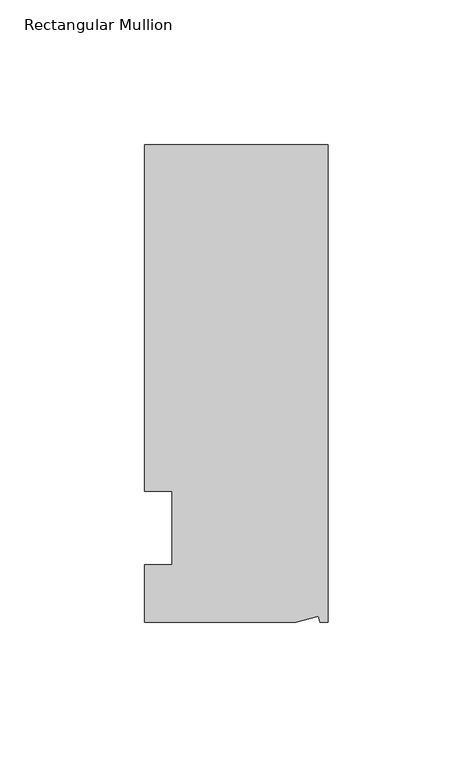
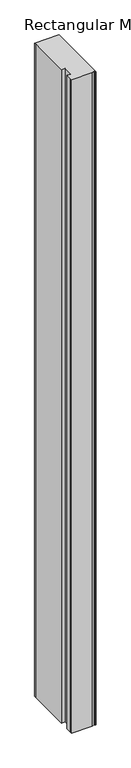
"""IFC4 building model written with IfcOpenShell, lengths in millimetres: member geometry, Rectangular Mullion."""

from ifc_helpers import new_model, si_unit, origin, place, context, project, spatial, faceted_brep, source, transform, mapped, element, save


def rectangular_mullion_a4ef1d3c(model_context):
    return source(origin(), model_context, "Body", "Brep", [
        faceted_brep([(0.0, 132.5561012, 0.0), (-63.5, 132.5561012, 0.0), (-63.5, 126.2061012, 0.0), (-63.5, 12.8488281, 0.0), (-53.975, 12.8488281, 0.0), (-53.975, -12.7, 0.0), (-63.5, -12.7, 0.0), (-63.5, -26.1938988, 0.0), (-63.5076469, -32.5438988, 0.0), (-11.1125, -32.5438988, 0.0), (-3.3223696, -30.4565397, 0.0), (-2.7630634, -32.5438988, 0.0), (0.0, -32.5438988, 0.0), (0.0, 132.5561012, -1786.4666667), (0.0, -32.5438988, -1786.4666667), (-2.7630634, -32.5438988, -1786.4666667), (-3.3223696, -30.4565397, -1786.4666667), (-11.1125, -32.5438988, -1786.4666667), (-63.5076469, -32.5438988, -1786.4666667), (-63.5076469, -26.1938988, -1786.4666667), (-63.5, -12.7, -1786.4666667), (-53.975, -12.7, -1786.4666667), (-53.975, 12.8488281, -1786.4666667), (-63.5, 12.8488281, -1786.4666667), (-63.5, 126.2061012, -1786.4666667), (-63.5, 132.5561012, -1786.4666667)], [[[0, 1, 2, 3, 4, 5, 6, 7, 8, 9, 10, 11, 12]], [[13, 14, 15, 16, 17, 18, 19, 20, 21, 22, 23, 24, 25]], [[0, 12, 14, 13]], [[1, 0, 13, 25]], [[3, 2, 24, 23]], [[4, 3, 23, 22]], [[5, 4, 22, 21]], [[6, 5, 21, 20]], [[7, 6, 20, 19]], [[9, 8, 18, 17]], [[10, 9, 17, 16]], [[11, 10, 16, 15]], [[12, 11, 15, 14]], [[2, 1, 25, 24]], [[8, 7, 19, 18]]]),
    ])


if __name__ == "__main__":
    model = new_model("IFC4")
    model_context = context("Model", 3, world=origin())
    ifc_project = project(units=[si_unit("LENGTHUNIT", "METRE", prefix="MILLI")], contexts=[model_context])
    site = spatial("IfcSite", under=ifc_project)
    building = spatial("IfcBuilding", under=site)
    placement = place(None, origin())
    rectangular_mullion_shape = rectangular_mullion_a4ef1d3c(model_context)
    element("IfcMember", 1, ObjectType="Rectangular Mullion", at=placement, inside=building, context=model_context, shape_type="MappedRepresentation", body=[
        mapped(rectangular_mullion_shape, transform((0.0, 0.0, 0.0), x_axis=(1.0, 0.0, 0.0), y_axis=(0.0, 1.0, 0.0), z_axis=(0.0, 0.0, 1.0))),
    ])
    save(model, "model.ifc")
